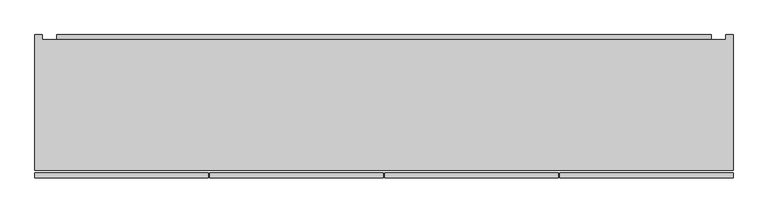
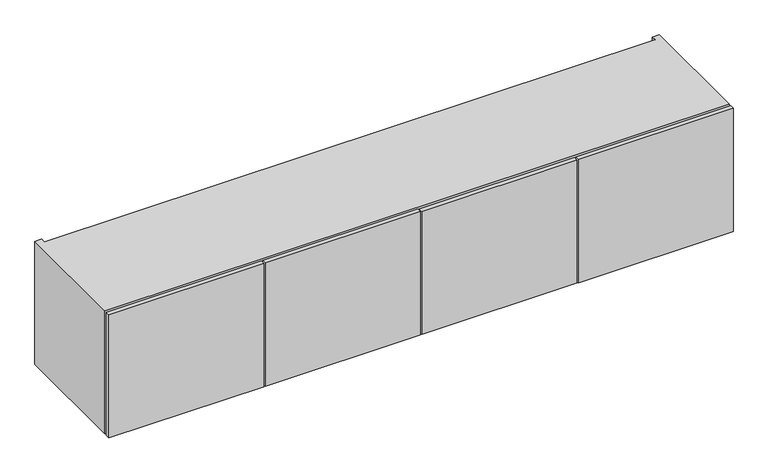
"""IFC4 building model written with IfcOpenShell, lengths in millimetres: furniture geometry."""

from ifc_helpers import new_model, si_unit, frame, origin, place, context, project, spatial, polyline, outline, extrude, faceted_brep, source, transform, mapped, element, save


def furniture_c7c5af71(model_context):
    return source(origin(), model_context, "Body", "SolidModel", [
        extrude(outline(polyline([(158.8226276, 1601.7748), (145.5282676, 1622.45294), (145.5282676, 1684.3248), (158.8226276, 1684.3248), (158.8226276, 1601.7748)])), frame((-399.796, 0.0, 0.0), z_axis=(1.0, 0.0, 0.0), x_axis=(0.0, 1.0, 0.0)), (0.0, 0.0, 1.0), 1708.912),
        extrude(outline(polyline([(145.5282676, 1613.4588), (158.8226276, 1592.78066), (158.8226276, 1530.9088), (145.5282676, 1530.9088), (145.5282676, 1613.4588)])), frame((-399.796, 0.0, 0.0), z_axis=(1.0, 0.0, 0.0), x_axis=(0.0, 1.0, 0.0)), (0.0, 0.0, 1.0), 1708.912),
        extrude(outline(polyline([(910.2725, -215.8273724), (456.2475, -215.8273724), (456.2475, -203.1273724), (910.2725, -203.1273724), (910.2725, -215.8273724)])), frame((0.0, 0.0, 1322.6288), z_axis=(0.0, 0.0, 1.0), x_axis=(1.0, 0.0, 0.0)), (0.0, 0.0, 1.0), 381.0),
        extrude(outline(polyline([(453.0725, -215.8273724), (-0.9525, -215.8273724), (-0.9525, -203.1273724), (453.0725, -203.1273724), (453.0725, -215.8273724)])), frame((0.0, 0.0, 1322.6288), z_axis=(0.0, 0.0, 1.0), x_axis=(1.0, 0.0, 0.0)), (0.0, 0.0, 1.0), 381.0),
        extrude(outline(polyline([(-4.1275, -215.8273724), (-457.2, -215.8273724), (-457.2, -203.1273724), (-4.1275, -203.1273724), (-4.1275, -215.8273724)])), frame((0.0, 0.0, 1322.6288), z_axis=(0.0, 0.0, 1.0), x_axis=(1.0, 0.0, 0.0)), (0.0, 0.0, 1.0), 381.0),
        extrude(outline(polyline([(1366.52, -215.8273724), (913.4475, -215.8273724), (913.4475, -203.1273724), (1366.52, -203.1273724), (1366.52, -215.8273724)])), frame((0.0, 0.0, 1322.6288), z_axis=(0.0, 0.0, 1.0), x_axis=(1.0, 0.0, 0.0)), (0.0, 0.0, 1.0), 381.0),
        extrude(outline(polyline([(1347.216, 145.5282676), (1347.216, 126.2242676), (-437.896, 126.2242676), (-437.896, 145.5282676), (1347.216, 145.5282676)])), frame((0.0, 0.0, 1341.9328), z_axis=(0.0, 0.0, 1.0), x_axis=(1.0, 0.0, 0.0)), (0.0, 0.0, 1.0), 342.392),
        faceted_brep([(-457.2, -195.5073724, 1703.6288), (-457.2, -195.5073724, 1322.6288), (1366.52, -195.5073724, 1322.6288), (1366.52, -195.5073724, 1703.6288), (-437.896, -195.5073724, 1684.3248), (1347.216, -195.5073724, 1684.3248), (1347.216, -195.5073724, 1341.9328), (-437.896, -195.5073724, 1341.9328), (1347.216, 145.5282676, 1684.3248), (-437.896, 145.5282676, 1684.3248), (-437.896, 145.5282676, 1703.6288), (1347.216, 145.5282676, 1703.6288), (1347.216, 145.5282676, 1322.6288), (-437.896, 145.5282676, 1322.6288), (-437.896, 145.5282676, 1341.9328), (1347.216, 145.5282676, 1341.9328), (1366.52, 158.8226276, 1703.6288), (1347.216, 158.8226276, 1703.6288), (-437.896, 158.8226276, 1703.6288), (-457.2, 158.8226276, 1703.6288), (-457.2, 158.8226276, 1322.6288), (-437.896, 158.8226276, 1322.6288), (1347.216, 158.8226276, 1322.6288), (1366.52, 158.8226276, 1322.6288)], [[[0, 1, 2, 3], [4, 5, 6, 7]], [[8, 9, 10, 11]], [[12, 13, 14, 15]], [[0, 3, 16, 17, 11, 10, 18, 19]], [[5, 4, 9, 8]], [[7, 6, 15, 14]], [[2, 1, 20, 21, 13, 12, 22, 23]], [[19, 18, 21, 20]], [[0, 19, 20, 1]], [[21, 18, 10, 9, 4, 7, 14, 13]], [[17, 22, 12, 15, 6, 5, 8, 11]], [[16, 3, 2, 23]], [[17, 16, 23, 22]]]),
    ])


if __name__ == "__main__":
    model = new_model("IFC4")
    model_context = context("Model", 3, world=origin())
    ifc_project = project(units=[si_unit("LENGTHUNIT", "METRE", prefix="MILLI")], contexts=[model_context])
    site = spatial("IfcSite", under=ifc_project)
    building = spatial("IfcBuilding", under=site)
    placement = place(None, origin())
    furniture_shape = furniture_c7c5af71(model_context)
    element("IfcFurniture", 1, at=placement, inside=building, context=model_context, shape_type="MappedRepresentation", body=[
        mapped(furniture_shape, transform((0.0, 0.0, 0.0), x_axis=(1.0, 0.0, 0.0), y_axis=(0.0, 1.0, 0.0), z_axis=(0.0, 0.0, 1.0))),
    ])
    save(model, "model.ifc")
